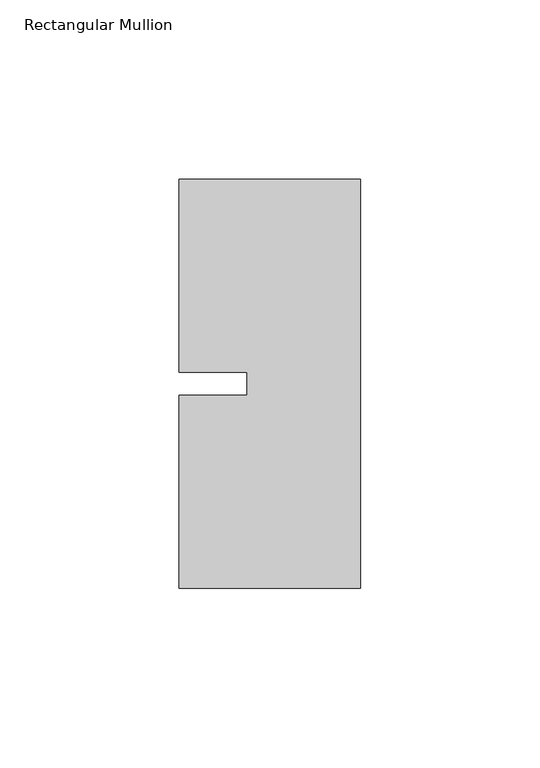
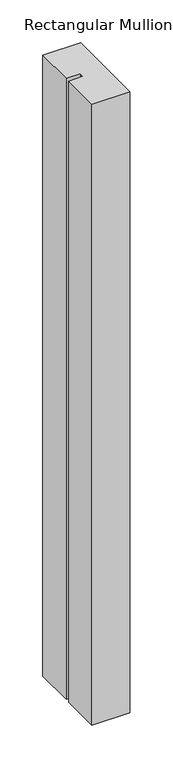
"""IFC4 building model written with IfcOpenShell, lengths in millimetres: member geometry, Rectangular Mullion."""

from ifc_helpers import new_model, si_unit, frame, origin, place, context, project, spatial, polyline, outline, extrude, source, transform, mapped, element, save


def rectangular_mullion_a71abbf1(model_context):
    return source(origin(), model_context, "Body", "SweptSolid", [
        extrude(outline(polyline([(-50.8, 57.15), (0.0, 57.15), (0.0, -57.15), (-50.8, -57.15), (-50.8, -3.175), (-31.75, -3.175), (-31.75, 3.175), (-50.8, 3.175), (-50.8, 57.15)])), frame((0.0, 0.0, -883.8094027), z_axis=(0.0, 0.0, 1.0), x_axis=(1.0, 0.0, 0.0)), (0.0, 0.0, 1.0), 883.8094027),
    ])


if __name__ == "__main__":
    model = new_model("IFC4")
    model_context = context("Model", 3, world=origin())
    ifc_project = project(units=[si_unit("LENGTHUNIT", "METRE", prefix="MILLI")], contexts=[model_context])
    site = spatial("IfcSite", under=ifc_project)
    building = spatial("IfcBuilding", under=site)
    placement = place(None, origin())
    rectangular_mullion_shape = rectangular_mullion_a71abbf1(model_context)
    element("IfcMember", 1, ObjectType="Rectangular Mullion", at=placement, inside=building, context=model_context, shape_type="MappedRepresentation", body=[
        mapped(rectangular_mullion_shape, transform((0.0, 0.0, 0.0), x_axis=(1.0, 0.0, 0.0), y_axis=(0.0, 1.0, 0.0), z_axis=(0.0, 0.0, 1.0))),
    ])
    save(model, "model.ifc")
